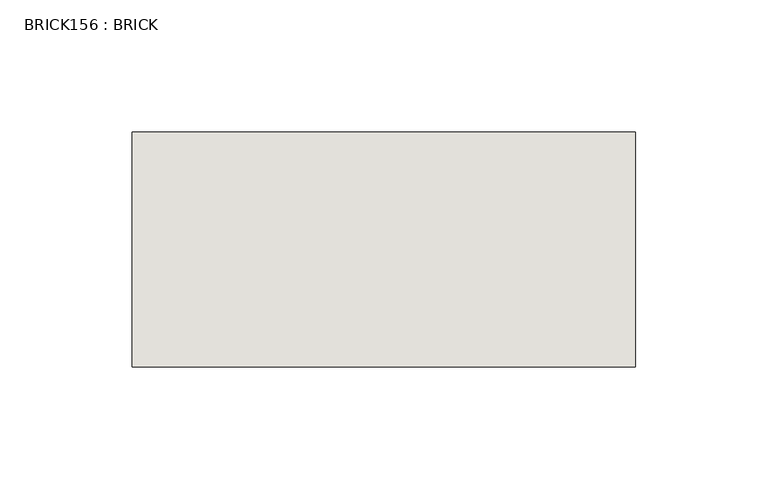
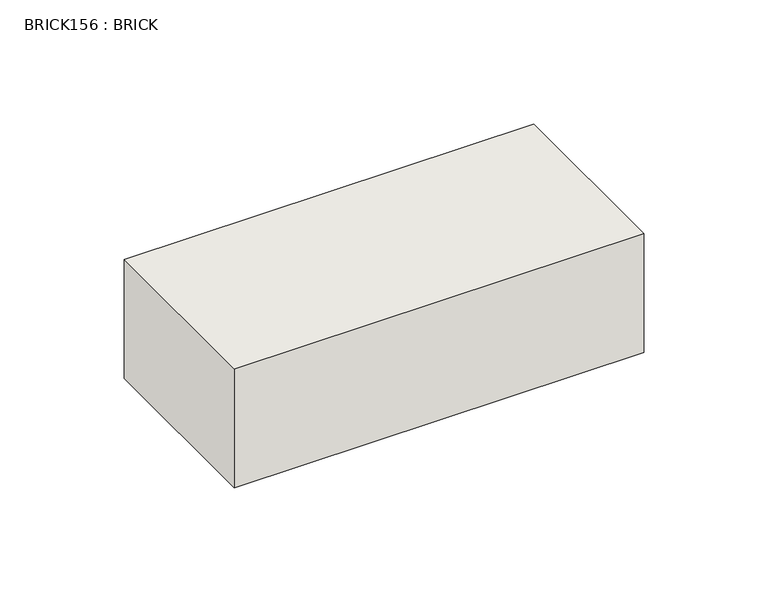
"""IFC4 building model written with IfcOpenShell, lengths in millimetres: wall geometry, BRICK156 : BRICK."""

from ifc_helpers import new_model, si_unit, frame, origin, place, context, project, spatial, polyline, outline, extrude, source, transform, mapped, element, save


def brick156_brick_96a7e1a1(model_context):
    return source(origin(), model_context, "Body", "SweptSolid", [
        extrude(outline(polyline([(-283.8727406, 2586.2274125), (-93.3727406, 2586.2274125), (-93.3727406, 2497.3274125), (-283.8727406, 2497.3274125), (-283.8727406, 2586.2274125)])), frame((0.0, 0.0, 4.1671875), z_axis=(0.0, 0.0, 1.0), x_axis=(1.0, 0.0, 0.0)), (0.0, 0.0, 1.0), 58.4398437),
    ])


if __name__ == "__main__":
    model = new_model("IFC4")
    model_context = context("Model", 3, world=origin())
    ifc_project = project(units=[si_unit("LENGTHUNIT", "METRE", prefix="MILLI")], contexts=[model_context])
    site = spatial("IfcSite", under=ifc_project)
    building = spatial("IfcBuilding", under=site)
    placement = place(None, origin())
    brick156_brick_shape = brick156_brick_96a7e1a1(model_context)
    element("IfcWall", 1, ObjectType="BRICK156 : BRICK", at=placement, inside=building, context=model_context, shape_type="MappedRepresentation", body=[
        mapped(brick156_brick_shape, transform((0.0, 0.0, 0.0), x_axis=(1.0, 0.0, 0.0), y_axis=(0.0, 1.0, 0.0), z_axis=(0.0, 0.0, 1.0))),
    ])
    save(model, "model.ifc")
